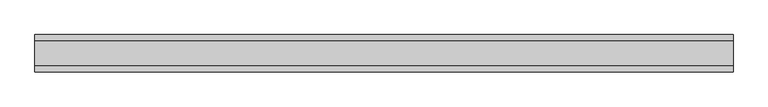
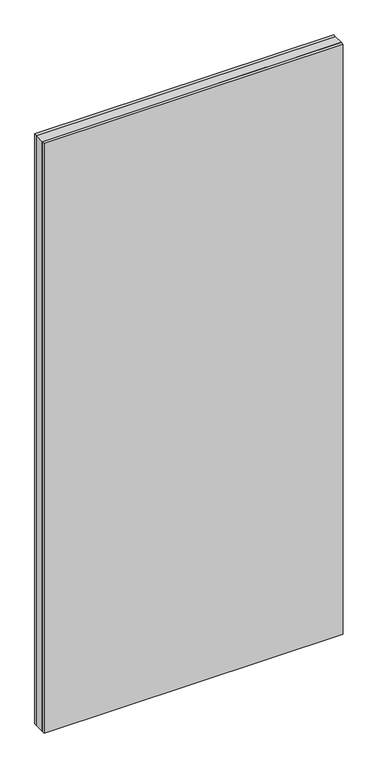
"""IFC4 building model written with IfcOpenShell, lengths in millimetres: plate geometry."""

from ifc_helpers import new_model, si_unit, origin, origin_with_axes, place, context, project, spatial, polyline, outline, extrude, source, transform, mapped, element, save


def plate_8891e0ed(model_context):
    return source(origin(), model_context, "Body", "SweptSolid", [
        extrude(outline(polyline([(699.003037, 24.2), (699.003037, -24.2), (-699.003037, -24.2), (-699.003037, 24.2), (699.003037, 24.2)])), origin_with_axes(), (0.0, 0.0, 1.0), 2915.0),
        extrude(outline(polyline([(699.003037, 37.2), (699.003037, 24.2), (-699.003037, 24.2), (-699.003037, 37.2), (699.003037, 37.2)])), origin_with_axes(), (0.0, 0.0, 1.0), 2915.0),
        extrude(outline(polyline([(-699.003037, -37.2), (-699.003037, -24.2), (699.003037, -24.2), (699.003037, -37.2), (-699.003037, -37.2)])), origin_with_axes(), (0.0, 0.0, 1.0), 2915.0),
    ])


if __name__ == "__main__":
    model = new_model("IFC4")
    model_context = context("Model", 3, world=origin())
    ifc_project = project(units=[si_unit("LENGTHUNIT", "METRE", prefix="MILLI")], contexts=[model_context])
    site = spatial("IfcSite", under=ifc_project)
    building = spatial("IfcBuilding", under=site)
    placement = place(None, origin())
    plate_shape = plate_8891e0ed(model_context)
    element("IfcPlate", 1, at=placement, inside=building, context=model_context, shape_type="MappedRepresentation", body=[
        mapped(plate_shape, transform((0.0, 0.0, 0.0), x_axis=(1.0, 0.0, 0.0), y_axis=(0.0, 1.0, 0.0), z_axis=(0.0, 0.0, 1.0))),
    ])
    save(model, "model.ifc")
